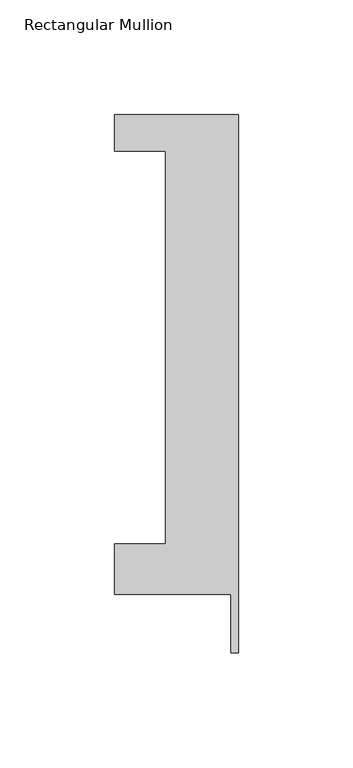
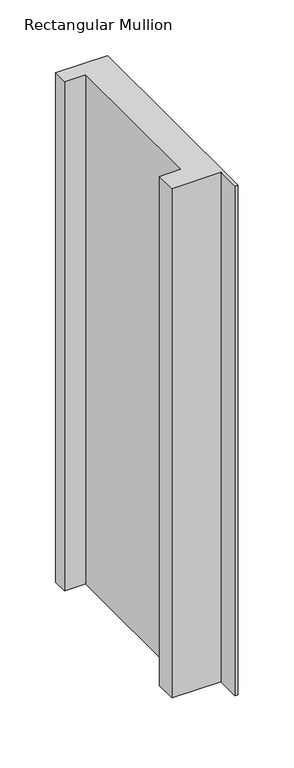
"""IFC4 building model written with IfcOpenShell, lengths in millimetres: member geometry, Rectangular Mullion."""

from ifc_helpers import new_model, si_unit, frame, origin, place, context, project, spatial, polyline, outline, extrude, source, transform, mapped, element, save


def rectangular_mullion_be9c4947(model_context):
    return source(origin(), model_context, "Body", "SweptSolid", [
        extrude(outline(polyline([(-53.975, 221.996), (0.0, 221.996), (0.0, -12.7), (-3.175, -12.7), (-3.175, 12.7), (-53.975, 12.7), (-53.975, 34.671), (-31.75, 34.671), (-31.75, 206.121), (-53.975, 206.121), (-53.975, 221.996)])), frame((0.0, 0.0, -558.8), z_axis=(0.0, 0.0, 1.0), x_axis=(1.0, 0.0, 0.0)), (0.0, 0.0, 1.0), 558.8),
    ])


if __name__ == "__main__":
    model = new_model("IFC4")
    model_context = context("Model", 3, world=origin())
    ifc_project = project(units=[si_unit("LENGTHUNIT", "METRE", prefix="MILLI")], contexts=[model_context])
    site = spatial("IfcSite", under=ifc_project)
    building = spatial("IfcBuilding", under=site)
    placement = place(None, origin())
    rectangular_mullion_shape = rectangular_mullion_be9c4947(model_context)
    element("IfcMember", 1, ObjectType="Rectangular Mullion", at=placement, inside=building, context=model_context, shape_type="MappedRepresentation", body=[
        mapped(rectangular_mullion_shape, transform((0.0, 0.0, 0.0), x_axis=(1.0, 0.0, 0.0), y_axis=(0.0, 1.0, 0.0), z_axis=(0.0, 0.0, 1.0))),
    ])
    save(model, "model.ifc")
